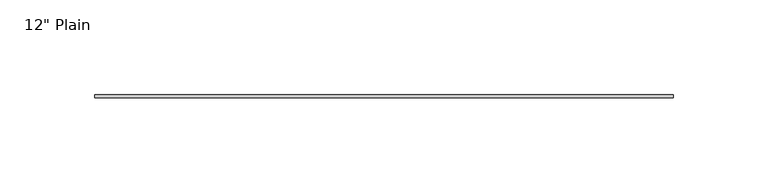
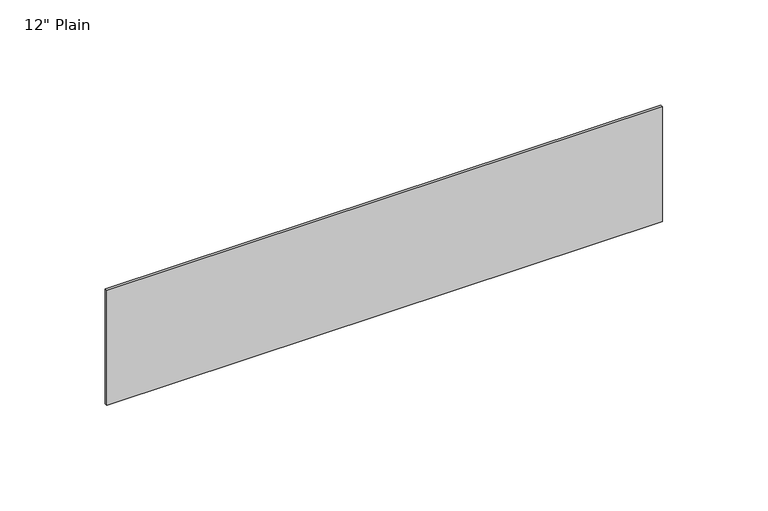
"""IFC4 building model written with IfcOpenShell, lengths in millimetres: furniture geometry."""

import ifcopenshell
import ifcopenshell.guid

model = None  # the IFC model being written
_history = None  # IfcOwnerHistory: only IFC2X3 demands one
_inside = {}  # id of a spatial element -> (the spatial element, [elements in it])
_under = {}  # id of a project, library or spatial element -> (it, [spatial elements below it])
_declared = {}  # id of a project -> (the project, [libraries it declares])
_typed = {}  # id of a type object -> (the type object, [elements of that type])
_made_of = {}  # id of a material, layer set ... -> (it, [elements and type objects made of it])


def new_model(schema):
    """Start an empty IFC model of exactly this schema.

    Asked for "IFC4X3", IfcOpenShell would pick the latest addendum, in which some entities
    have other attributes; the version numbers below select the first issue.
    IFC2X3 requires an IfcOwnerHistory on every rooted entity: one is made here for all.
    """
    global model, _history
    if schema == "IFC4X3":
        model = ifcopenshell.file(schema_version=(4, 3, 0, 0))
    else:
        model = ifcopenshell.file(schema=schema)
    _inside.clear()
    _under.clear()
    _declared.clear()
    _typed.clear()
    _made_of.clear()
    _history = None
    if model.schema == "IFC2X3":
        org = make("IfcOrganization", Name="unknown")
        user = make(
            "IfcPersonAndOrganization",
            ThePerson=make("IfcPerson", FamilyName="unknown"),
            TheOrganization=org,
        )
        app = make(
            "IfcApplication",
            ApplicationDeveloper=org,
            Version="unknown",
            ApplicationFullName="unknown",
            ApplicationIdentifier="unknown",
        )
        _history = make(
            "IfcOwnerHistory",
            OwningUser=user,
            OwningApplication=app,
            ChangeAction="ADDED",
            CreationDate=0,
        )
    return model


def make(cls, **values):
    """One entity of the class cls with the attributes given. An attribute that is None is left unset."""
    return model.create_entity(
        cls, **{name: value for name, value in values.items() if value is not None}
    )


def rooted(cls, **values):
    """An entity with a GlobalId (a new one), such as an element, a storey or a relation."""
    return make(cls, GlobalId=ifcopenshell.guid.new(), OwnerHistory=_history, **values)


def si_unit(unit_type, name, prefix=None):
    """IfcSIUnit, for example si_unit("LENGTHUNIT", "METRE", prefix="MILLI")."""
    return make("IfcSIUnit", UnitType=unit_type, Prefix=prefix, Name=name)


def assignment(units):
    """IfcUnitAssignment: the units of a project."""
    return None if units is None else make("IfcUnitAssignment", Units=units)


def point(xyz):
    """IfcCartesianPoint."""
    return None if xyz is None else make("IfcCartesianPoint", Coordinates=xyz)


def direction(xyz):
    """IfcDirection."""
    return None if xyz is None else make("IfcDirection", DirectionRatios=xyz)


def frame(location, z_axis=None, x_axis=None):
    """IfcAxis2Placement3D, a coordinate frame: its origin and axes. An axis left out is left unset."""
    return make(
        "IfcAxis2Placement3D",
        Location=point(location),
        Axis=direction(z_axis),
        RefDirection=direction(x_axis),
    )


def origin():
    """The frame at (0, 0, 0) with its axes left unset."""
    return frame((0.0, 0.0, 0.0))


def place(relative_to, where):
    """IfcLocalPlacement: puts the frame where relative to a parent placement (None: the world)."""
    return make(
        "IfcLocalPlacement", PlacementRelTo=relative_to, RelativePlacement=where
    )


def context(
    kind, dimensions, precision=None, world=None, true_north=None, identifier=None
):
    """IfcGeometricRepresentationContext, for example the 3D "Model" context."""
    return make(
        "IfcGeometricRepresentationContext",
        ContextIdentifier=identifier,
        ContextType=kind,
        CoordinateSpaceDimension=dimensions,
        Precision=precision,
        WorldCoordinateSystem=world,
        TrueNorth=true_north,
    )


def project(units=None, contexts=None):
    """IfcProject with its units and contexts."""
    return rooted(
        "IfcProject",
        Name="project",
        RepresentationContexts=contexts,
        UnitsInContext=assignment(units),
    )


def spatial(cls, under=None, at=None, **own):
    """A site, building, storey or space (cls), placed at a placement, below another one or the project."""
    s = rooted(cls, ObjectPlacement=at, **own)
    if under is not None:
        _under.setdefault(under.id(), (under, []))[1].append(s)
    return s


def polyline(points):
    """IfcPolyline through the points."""
    return make("IfcPolyline", Points=[point(p) for p in points])


def outline(outer, holes=None, kind="AREA"):
    """IfcArbitraryClosedProfileDef: a profile drawn as a closed curve; with holes, ...WithVoids."""
    if holes is None:
        return make("IfcArbitraryClosedProfileDef", ProfileType=kind, OuterCurve=outer)
    return make(
        "IfcArbitraryProfileDefWithVoids",
        ProfileType=kind,
        OuterCurve=outer,
        InnerCurves=holes,
    )


def extrude(swept, where, along, depth):
    """IfcExtrudedAreaSolid: the profile swept, set in the frame where, extruded along a direction by depth."""
    return make(
        "IfcExtrudedAreaSolid",
        SweptArea=swept,
        Position=where,
        ExtrudedDirection=direction(along),
        Depth=depth,
    )


def shape(context_of_items, identifier, shape_type, items):
    """IfcShapeRepresentation: the items that make up one representation, for example the "Body"."""
    return make(
        "IfcShapeRepresentation",
        ContextOfItems=context_of_items,
        RepresentationIdentifier=identifier,
        RepresentationType=shape_type,
        Items=items,
    )


def source(mapping_origin, context_of_items, identifier, shape_type, items):
    """IfcRepresentationMap: a shape defined once, which mapped items show again and again."""
    return make(
        "IfcRepresentationMap",
        MappingOrigin=mapping_origin,
        MappedRepresentation=shape(context_of_items, identifier, shape_type, items),
    )


def transform(
    local_origin,
    x_axis=None,
    y_axis=None,
    z_axis=None,
    scale=None,
    scale2=None,
    scale3=None,
    uniform=True,
):
    """IfcCartesianTransformationOperator3D, or its non-uniform kind. x_axis, y_axis, z_axis: its Axis1, 2, 3."""
    if uniform:
        return make(
            "IfcCartesianTransformationOperator3D",
            Axis1=direction(x_axis),
            Axis2=direction(y_axis),
            LocalOrigin=point(local_origin),
            Scale=scale,
            Axis3=direction(z_axis),
        )
    return make(
        "IfcCartesianTransformationOperator3DnonUniform",
        Axis1=direction(x_axis),
        Axis2=direction(y_axis),
        LocalOrigin=point(local_origin),
        Scale=scale,
        Axis3=direction(z_axis),
        Scale2=scale2,
        Scale3=scale3,
    )


def mapped(mapping_source, mapping_target):
    """IfcMappedItem: shows the shape of a source again, moved by a transform."""
    return make(
        "IfcMappedItem", MappingSource=mapping_source, MappingTarget=mapping_target
    )


def made_of(thing, what):
    """Note that an element or type object is made of a material, layer set ...; save() writes the relation."""
    if what is not None:
        _made_of.setdefault(what.id(), (what, []))[1].append(thing)
    return thing


def element(
    cls,
    number,
    at=None,
    inside=None,
    cuts=None,
    type_object=None,
    material=None,
    context=None,
    identifier="Body",
    shape_type=None,
    held_by="IfcProductDefinitionShape",
    body=None,
    shapes=None,
    **own,
):
    """One element of the class cls, such as IfcWall. Its Tag is "e" and its number.

    at: its placement. inside: the storey or other place that contains it. cuts: it is an
    opening in that element (IfcRelVoidsElement). A single representation is given by context,
    identifier, shape_type and body (its items); several are given by shapes. held_by: the class
    of the entity that holds the representations. save() writes the other relations.
    """
    e = rooted(cls, Tag="e%d" % number, ObjectPlacement=at, **own)
    if body is not None:
        shapes = [shape(context, identifier, shape_type, body)]
    if shapes is not None:
        e.Representation = make(held_by, Representations=shapes)
    if inside is not None:
        _inside.setdefault(inside.id(), (inside, []))[1].append(e)
    if cuts is not None:
        rooted(
            "IfcRelVoidsElement", RelatingBuildingElement=cuts, RelatedOpeningElement=e
        )
    if type_object is not None:
        _typed.setdefault(type_object.id(), (type_object, []))[1].append(e)
    return made_of(e, material)


def aggregate(whole, parts):
    """IfcRelAggregates: a whole, such as a stair, and the parts it consists of."""
    return rooted("IfcRelAggregates", RelatingObject=whole, RelatedObjects=parts)


def save(model, path):
    """Write the relations noted so far, then the file.

    IfcRelAggregates (storeys below a building ...), IfcRelContainedInSpatialStructure (elements
    in a storey), IfcRelDefinesByType, IfcRelAssociatesMaterial and IfcRelDeclares: one each for
    every whole, place, type object, material and project.
    """
    for whole, parts in _under.values():
        aggregate(whole, parts)
    for where, things in _inside.values():
        rooted(
            "IfcRelContainedInSpatialStructure",
            RelatedElements=things,
            RelatingStructure=where,
        )
    for kind, things in _typed.values():
        rooted("IfcRelDefinesByType", RelatedObjects=things, RelatingType=kind)
    for what, things in _made_of.values():
        rooted("IfcRelAssociatesMaterial", RelatedObjects=things, RelatingMaterial=what)
    for by, libraries in _declared.values():
        rooted("IfcRelDeclares", RelatingContext=by, RelatedDefinitions=libraries)
    model.write(path)


def furniture_a59778a6(model_context):
    return source(origin(), model_context, "Body", "SweptSolid", [
        extrude(outline(polyline([(171.1377049, -1.5875), (-133.6622951, -1.5875), (-133.6622951, 0.0), (171.1377049, 0.0), (171.1377049, -1.5875)])), frame((0.0, 0.0, 1031.875), z_axis=(0.0, 0.0, 1.0), x_axis=(1.0, 0.0, 0.0)), (0.0, 0.0, 1.0), 66.675),
    ])


if __name__ == "__main__":
    model = new_model("IFC4")
    model_context = context("Model", 3, world=origin())
    ifc_project = project(units=[si_unit("LENGTHUNIT", "METRE", prefix="MILLI")], contexts=[model_context])
    site = spatial("IfcSite", under=ifc_project)
    building = spatial("IfcBuilding", under=site)
    placement = place(None, origin())
    furniture_shape = furniture_a59778a6(model_context)
    element("IfcFurniture", 1, ObjectType="12\" Plain", at=placement, inside=building, context=model_context, shape_type="MappedRepresentation", body=[
        mapped(furniture_shape, transform((0.0, 0.0, 0.0), x_axis=(1.0, 0.0, 0.0), y_axis=(0.0, 1.0, 0.0), z_axis=(0.0, 0.0, 1.0))),
    ])
    save(model, "model.ifc")
